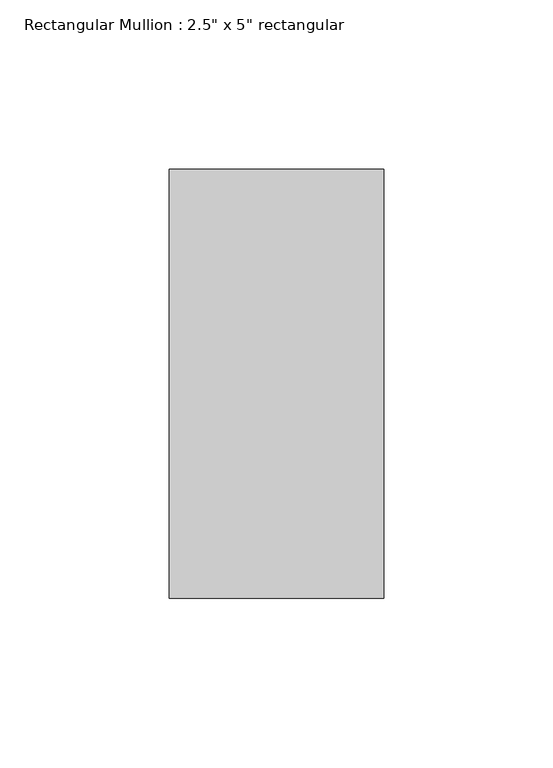
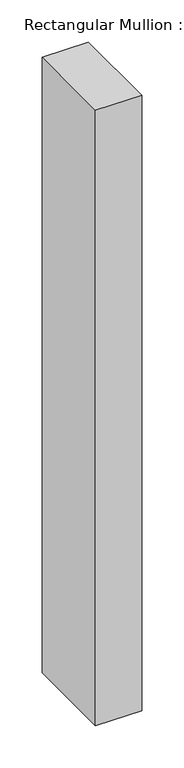
"""IFC4 building model written with IfcOpenShell, lengths in millimetres: member geometry."""

from ifc_helpers import new_model, si_unit, frame, origin, place, context, project, spatial, polyline, outline, extrude, source, transform, mapped, element, save


def member_0fda45f0(model_context):
    return source(origin(), model_context, "Body", "SweptSolid", [
        extrude(outline(polyline([(31.75, 63.5), (31.75, -63.5), (-31.75, -63.5), (-31.75, 63.5), (31.75, 63.5)])), frame((0.0, 0.0, -893.5357143), z_axis=(0.0, 0.0, 1.0), x_axis=(1.0, 0.0, 0.0)), (0.0, 0.0, 1.0), 893.5357143),
    ])


if __name__ == "__main__":
    model = new_model("IFC4")
    model_context = context("Model", 3, world=origin())
    ifc_project = project(units=[si_unit("LENGTHUNIT", "METRE", prefix="MILLI")], contexts=[model_context])
    site = spatial("IfcSite", under=ifc_project)
    building = spatial("IfcBuilding", under=site)
    placement = place(None, origin())
    member_shape = member_0fda45f0(model_context)
    element("IfcMember", 1, ObjectType="Rectangular Mullion : 2.5\" x 5\" rectangular", at=placement, inside=building, context=model_context, shape_type="MappedRepresentation", body=[
        mapped(member_shape, transform((0.0, 0.0, 0.0), x_axis=(1.0, 0.0, 0.0), y_axis=(0.0, 1.0, 0.0), z_axis=(0.0, 0.0, 1.0))),
    ])
    save(model, "model.ifc")
